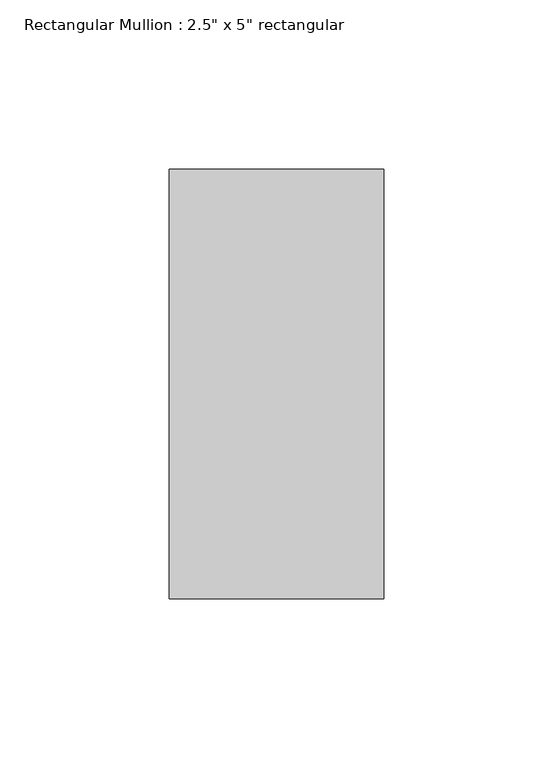
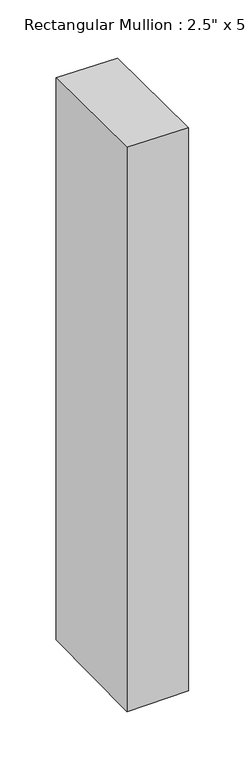
"""IFC4 building model written with IfcOpenShell, lengths in millimetres: member geometry."""

import ifcopenshell
import ifcopenshell.guid

model = None  # the IFC model being written
_history = None  # IfcOwnerHistory: only IFC2X3 demands one
_inside = {}  # id of a spatial element -> (the spatial element, [elements in it])
_under = {}  # id of a project, library or spatial element -> (it, [spatial elements below it])
_declared = {}  # id of a project -> (the project, [libraries it declares])
_typed = {}  # id of a type object -> (the type object, [elements of that type])
_made_of = {}  # id of a material, layer set ... -> (it, [elements and type objects made of it])


def new_model(schema):
    """Start an empty IFC model of exactly this schema.

    Asked for "IFC4X3", IfcOpenShell would pick the latest addendum, in which some entities
    have other attributes; the version numbers below select the first issue.
    IFC2X3 requires an IfcOwnerHistory on every rooted entity: one is made here for all.
    """
    global model, _history
    if schema == "IFC4X3":
        model = ifcopenshell.file(schema_version=(4, 3, 0, 0))
    else:
        model = ifcopenshell.file(schema=schema)
    _inside.clear()
    _under.clear()
    _declared.clear()
    _typed.clear()
    _made_of.clear()
    _history = None
    if model.schema == "IFC2X3":
        org = make("IfcOrganization", Name="unknown")
        user = make(
            "IfcPersonAndOrganization",
            ThePerson=make("IfcPerson", FamilyName="unknown"),
            TheOrganization=org,
        )
        app = make(
            "IfcApplication",
            ApplicationDeveloper=org,
            Version="unknown",
            ApplicationFullName="unknown",
            ApplicationIdentifier="unknown",
        )
        _history = make(
            "IfcOwnerHistory",
            OwningUser=user,
            OwningApplication=app,
            ChangeAction="ADDED",
            CreationDate=0,
        )
    return model


def make(cls, **values):
    """One entity of the class cls with the attributes given. An attribute that is None is left unset."""
    return model.create_entity(
        cls, **{name: value for name, value in values.items() if value is not None}
    )


def rooted(cls, **values):
    """An entity with a GlobalId (a new one), such as an element, a storey or a relation."""
    return make(cls, GlobalId=ifcopenshell.guid.new(), OwnerHistory=_history, **values)


def si_unit(unit_type, name, prefix=None):
    """IfcSIUnit, for example si_unit("LENGTHUNIT", "METRE", prefix="MILLI")."""
    return make("IfcSIUnit", UnitType=unit_type, Prefix=prefix, Name=name)


def assignment(units):
    """IfcUnitAssignment: the units of a project."""
    return None if units is None else make("IfcUnitAssignment", Units=units)


def point(xyz):
    """IfcCartesianPoint."""
    return None if xyz is None else make("IfcCartesianPoint", Coordinates=xyz)


def direction(xyz):
    """IfcDirection."""
    return None if xyz is None else make("IfcDirection", DirectionRatios=xyz)


def frame(location, z_axis=None, x_axis=None):
    """IfcAxis2Placement3D, a coordinate frame: its origin and axes. An axis left out is left unset."""
    return make(
        "IfcAxis2Placement3D",
        Location=point(location),
        Axis=direction(z_axis),
        RefDirection=direction(x_axis),
    )


def origin():
    """The frame at (0, 0, 0) with its axes left unset."""
    return frame((0.0, 0.0, 0.0))


def place(relative_to, where):
    """IfcLocalPlacement: puts the frame where relative to a parent placement (None: the world)."""
    return make(
        "IfcLocalPlacement", PlacementRelTo=relative_to, RelativePlacement=where
    )


def context(
    kind, dimensions, precision=None, world=None, true_north=None, identifier=None
):
    """IfcGeometricRepresentationContext, for example the 3D "Model" context."""
    return make(
        "IfcGeometricRepresentationContext",
        ContextIdentifier=identifier,
        ContextType=kind,
        CoordinateSpaceDimension=dimensions,
        Precision=precision,
        WorldCoordinateSystem=world,
        TrueNorth=true_north,
    )


def project(units=None, contexts=None):
    """IfcProject with its units and contexts."""
    return rooted(
        "IfcProject",
        Name="project",
        RepresentationContexts=contexts,
        UnitsInContext=assignment(units),
    )


def spatial(cls, under=None, at=None, **own):
    """A site, building, storey or space (cls), placed at a placement, below another one or the project."""
    s = rooted(cls, ObjectPlacement=at, **own)
    if under is not None:
        _under.setdefault(under.id(), (under, []))[1].append(s)
    return s


def faces_of(points, faces, orient=None, outer=None):
    """IfcFace entities. A face is a list of loops; a loop is a list of indices into points, from 0.

    orient and outer hold one flag for each loop. By default every Orientation is true, the
    first loop of a face is its IfcFaceOuterBound and the others are IfcFaceBound.
    """
    made = []
    for i, loops in enumerate(faces):
        bounds = []
        for j, loop in enumerate(loops):
            is_outer = j == 0 if outer is None else outer[i][j]
            bounds.append(
                make(
                    "IfcFaceOuterBound" if is_outer else "IfcFaceBound",
                    Bound=make("IfcPolyLoop", Polygon=[points[k] for k in loop]),
                    Orientation=True if orient is None else orient[i][j],
                )
            )
        made.append(make("IfcFace", Bounds=bounds))
    return made


def faceted_brep(points, faces, orient=None, outer=None, voids=None):
    """IfcFacetedBrep: a solid bounded by flat faces; with voids (closed shells), ...WithVoids."""
    shared = [point(p) for p in points]
    hull = make("IfcClosedShell", CfsFaces=faces_of(shared, faces, orient, outer))
    if voids is None:
        return make("IfcFacetedBrep", Outer=hull)
    return make(
        "IfcFacetedBrepWithVoids",
        Outer=hull,
        Voids=[
            make(cls, CfsFaces=faces_of(shared, fs, o, b)) for cls, fs, o, b in voids
        ],
    )


def shape(context_of_items, identifier, shape_type, items):
    """IfcShapeRepresentation: the items that make up one representation, for example the "Body"."""
    return make(
        "IfcShapeRepresentation",
        ContextOfItems=context_of_items,
        RepresentationIdentifier=identifier,
        RepresentationType=shape_type,
        Items=items,
    )


def source(mapping_origin, context_of_items, identifier, shape_type, items):
    """IfcRepresentationMap: a shape defined once, which mapped items show again and again."""
    return make(
        "IfcRepresentationMap",
        MappingOrigin=mapping_origin,
        MappedRepresentation=shape(context_of_items, identifier, shape_type, items),
    )


def transform(
    local_origin,
    x_axis=None,
    y_axis=None,
    z_axis=None,
    scale=None,
    scale2=None,
    scale3=None,
    uniform=True,
):
    """IfcCartesianTransformationOperator3D, or its non-uniform kind. x_axis, y_axis, z_axis: its Axis1, 2, 3."""
    if uniform:
        return make(
            "IfcCartesianTransformationOperator3D",
            Axis1=direction(x_axis),
            Axis2=direction(y_axis),
            LocalOrigin=point(local_origin),
            Scale=scale,
            Axis3=direction(z_axis),
        )
    return make(
        "IfcCartesianTransformationOperator3DnonUniform",
        Axis1=direction(x_axis),
        Axis2=direction(y_axis),
        LocalOrigin=point(local_origin),
        Scale=scale,
        Axis3=direction(z_axis),
        Scale2=scale2,
        Scale3=scale3,
    )


def mapped(mapping_source, mapping_target):
    """IfcMappedItem: shows the shape of a source again, moved by a transform."""
    return make(
        "IfcMappedItem", MappingSource=mapping_source, MappingTarget=mapping_target
    )


def made_of(thing, what):
    """Note that an element or type object is made of a material, layer set ...; save() writes the relation."""
    if what is not None:
        _made_of.setdefault(what.id(), (what, []))[1].append(thing)
    return thing


def element(
    cls,
    number,
    at=None,
    inside=None,
    cuts=None,
    type_object=None,
    material=None,
    context=None,
    identifier="Body",
    shape_type=None,
    held_by="IfcProductDefinitionShape",
    body=None,
    shapes=None,
    **own,
):
    """One element of the class cls, such as IfcWall. Its Tag is "e" and its number.

    at: its placement. inside: the storey or other place that contains it. cuts: it is an
    opening in that element (IfcRelVoidsElement). A single representation is given by context,
    identifier, shape_type and body (its items); several are given by shapes. held_by: the class
    of the entity that holds the representations. save() writes the other relations.
    """
    e = rooted(cls, Tag="e%d" % number, ObjectPlacement=at, **own)
    if body is not None:
        shapes = [shape(context, identifier, shape_type, body)]
    if shapes is not None:
        e.Representation = make(held_by, Representations=shapes)
    if inside is not None:
        _inside.setdefault(inside.id(), (inside, []))[1].append(e)
    if cuts is not None:
        rooted(
            "IfcRelVoidsElement", RelatingBuildingElement=cuts, RelatedOpeningElement=e
        )
    if type_object is not None:
        _typed.setdefault(type_object.id(), (type_object, []))[1].append(e)
    return made_of(e, material)


def aggregate(whole, parts):
    """IfcRelAggregates: a whole, such as a stair, and the parts it consists of."""
    return rooted("IfcRelAggregates", RelatingObject=whole, RelatedObjects=parts)


def save(model, path):
    """Write the relations noted so far, then the file.

    IfcRelAggregates (storeys below a building ...), IfcRelContainedInSpatialStructure (elements
    in a storey), IfcRelDefinesByType, IfcRelAssociatesMaterial and IfcRelDeclares: one each for
    every whole, place, type object, material and project.
    """
    for whole, parts in _under.values():
        aggregate(whole, parts)
    for where, things in _inside.values():
        rooted(
            "IfcRelContainedInSpatialStructure",
            RelatedElements=things,
            RelatingStructure=where,
        )
    for kind, things in _typed.values():
        rooted("IfcRelDefinesByType", RelatedObjects=things, RelatingType=kind)
    for what, things in _made_of.values():
        rooted("IfcRelAssociatesMaterial", RelatedObjects=things, RelatingMaterial=what)
    for by, libraries in _declared.values():
        rooted("IfcRelDeclares", RelatingContext=by, RelatedDefinitions=libraries)
    model.write(path)


def member_557be8b4(model_context):
    return source(origin(), model_context, "Body", "Brep", [
        faceted_brep([(-63.5, 63.5, 0.2281553), (0.0, 63.5, -0.7555468), (0.0, 63.5, -610.5256216), (-63.5, 63.5, -611.5103434), (-63.5, -63.5, 1.739249), (-63.5, -63.5, -613.0144963), (0.0, -63.5, 0.7555468), (0.0, -63.5, -612.0297745)], [[[0, 1, 2, 3]], [[4, 0, 3, 5]], [[6, 4, 5, 7]], [[1, 6, 7, 2]], [[1, 0, 4, 6]], [[2, 7, 5, 3]]]),
    ])


if __name__ == "__main__":
    model = new_model("IFC4")
    model_context = context("Model", 3, world=origin())
    ifc_project = project(units=[si_unit("LENGTHUNIT", "METRE", prefix="MILLI")], contexts=[model_context])
    site = spatial("IfcSite", under=ifc_project)
    building = spatial("IfcBuilding", under=site)
    placement = place(None, origin())
    member_shape = member_557be8b4(model_context)
    element("IfcMember", 1, ObjectType="Rectangular Mullion : 2.5\" x 5\" rectangular", at=placement, inside=building, context=model_context, shape_type="MappedRepresentation", body=[
        mapped(member_shape, transform((0.0, 0.0, 0.0), x_axis=(1.0, 0.0, 0.0), y_axis=(0.0, 1.0, 0.0), z_axis=(0.0, 0.0, 1.0))),
    ])
    save(model, "model.ifc")
